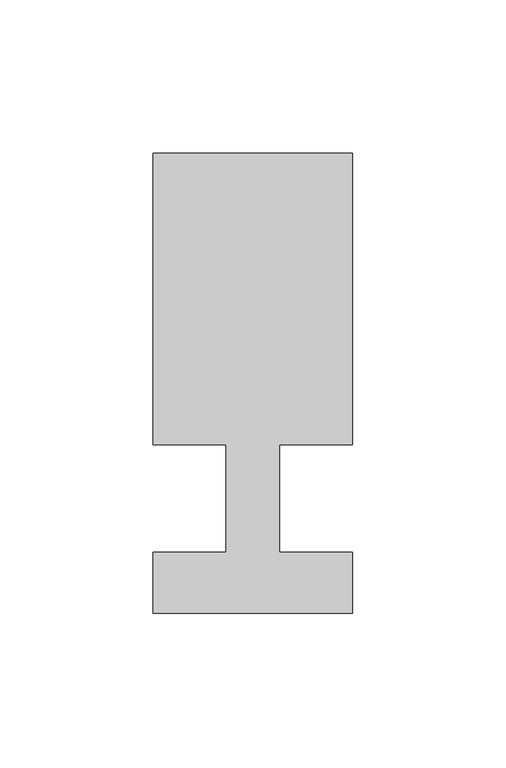
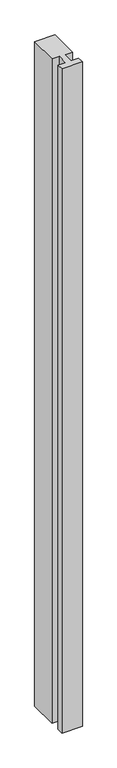
"""IFC4 building model written with IfcOpenShell, lengths in millimetres: member geometry."""

from ifc_helpers import new_model, si_unit, frame, origin, place, context, project, spatial, polyline, outline, extrude, source, transform, mapped, element, save


def member_648a3175(model_context):
    return source(origin(), model_context, "Body", "SweptSolid", [
        extrude(outline(polyline([(-32.5, -37.0), (-32.5, -17.0), (-8.6875, -17.0), (-8.6875, 18.0), (-32.5, 18.0), (-32.5, 113.0), (32.5, 113.0), (32.5, 18.0), (8.6875, 18.0), (8.6875, -17.0), (32.5, -17.0), (32.5, -37.0), (-32.5, -37.0)])), frame((0.0, 0.0, -2235.0), z_axis=(0.0, 0.0, 1.0), x_axis=(1.0, 0.0, 0.0)), (0.0, 0.0, 1.0), 2235.0),
    ])


if __name__ == "__main__":
    model = new_model("IFC4")
    model_context = context("Model", 3, world=origin())
    ifc_project = project(units=[si_unit("LENGTHUNIT", "METRE", prefix="MILLI")], contexts=[model_context])
    site = spatial("IfcSite", under=ifc_project)
    building = spatial("IfcBuilding", under=site)
    placement = place(None, origin())
    member_shape = member_648a3175(model_context)
    element("IfcMember", 1, at=placement, inside=building, context=model_context, shape_type="MappedRepresentation", body=[
        mapped(member_shape, transform((0.0, 0.0, 0.0), x_axis=(1.0, 0.0, 0.0), y_axis=(0.0, 1.0, 0.0), z_axis=(0.0, 0.0, 1.0))),
    ])
    save(model, "model.ifc")
